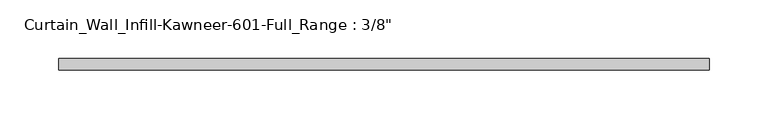
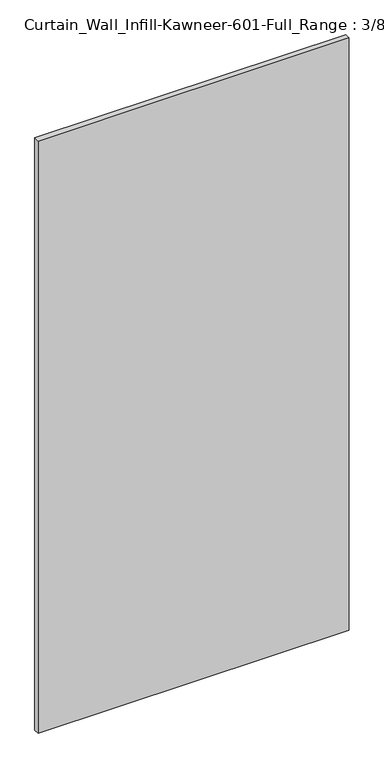
"""IFC4 building model written with IfcOpenShell, lengths in millimetres: plate geometry."""

from ifc_helpers import new_model, si_unit, origin, origin_with_axes, place, context, project, spatial, polyline, outline, extrude, source, transform, mapped, element, save


def plate_58639646(model_context):
    return source(origin(), model_context, "Body", "SweptSolid", [
        extrude(outline(polyline([(-276.225, 14.2875), (276.225, 14.2875), (276.225, 4.7625), (-276.225, 4.7625), (-276.225, 14.2875)])), origin_with_axes(), (0.0, 0.0, 1.0), 1111.25),
    ])


if __name__ == "__main__":
    model = new_model("IFC4")
    model_context = context("Model", 3, world=origin())
    ifc_project = project(units=[si_unit("LENGTHUNIT", "METRE", prefix="MILLI")], contexts=[model_context])
    site = spatial("IfcSite", under=ifc_project)
    building = spatial("IfcBuilding", under=site)
    placement = place(None, origin())
    plate_shape = plate_58639646(model_context)
    element("IfcPlate", 1, ObjectType="Curtain_Wall_Infill-Kawneer-601-Full_Range : 3/8\"", at=placement, inside=building, context=model_context, shape_type="MappedRepresentation", body=[
        mapped(plate_shape, transform((0.0, 0.0, 0.0), x_axis=(1.0, 0.0, 0.0), y_axis=(0.0, 1.0, 0.0), z_axis=(0.0, 0.0, 1.0))),
    ])
    save(model, "model.ifc")
